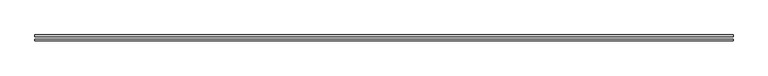
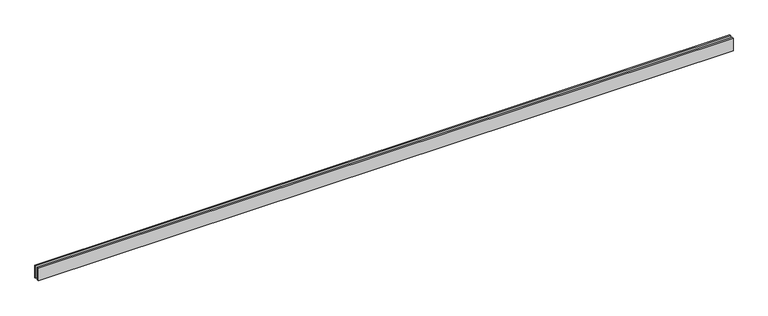
"""IFC4 building model written with IfcOpenShell, lengths in millimetres: proxy geometry."""

from ifc_helpers import new_model, si_unit, origin, origin_with_axes, place, context, project, spatial, polyline, outline, extrude, source, transform, mapped, element, save


def generic_models_a3bbd6f1(model_context):
    return source(origin(), model_context, "Body", "SweptSolid", [
        extrude(outline(polyline([(13135.0, 25.0), (0.0, 25.0), (0.0, 55.0), (13135.0, 55.0), (13135.0, 25.0)])), origin_with_axes(), (0.0, 0.0, 1.0), 250.0),
        extrude(outline(polyline([(13135.0, -55.0), (0.0, -55.0), (0.0, -25.0), (13135.0, -25.0), (13135.0, -55.0)])), origin_with_axes(), (0.0, 0.0, 1.0), 250.0),
    ])


if __name__ == "__main__":
    model = new_model("IFC4")
    model_context = context("Model", 3, world=origin())
    ifc_project = project(units=[si_unit("LENGTHUNIT", "METRE", prefix="MILLI")], contexts=[model_context])
    site = spatial("IfcSite", under=ifc_project)
    building = spatial("IfcBuilding", under=site)
    placement = place(None, origin())
    generic_models_shape = generic_models_a3bbd6f1(model_context)
    element("IfcBuildingElementProxy", 1, Name="Generic Models", at=placement, inside=building, context=model_context, shape_type="MappedRepresentation", body=[
        mapped(generic_models_shape, transform((0.0, 0.0, 0.0), x_axis=(1.0, 0.0, 0.0), y_axis=(0.0, 1.0, 0.0), z_axis=(0.0, 0.0, 1.0))),
    ])
    save(model, "model.ifc")
